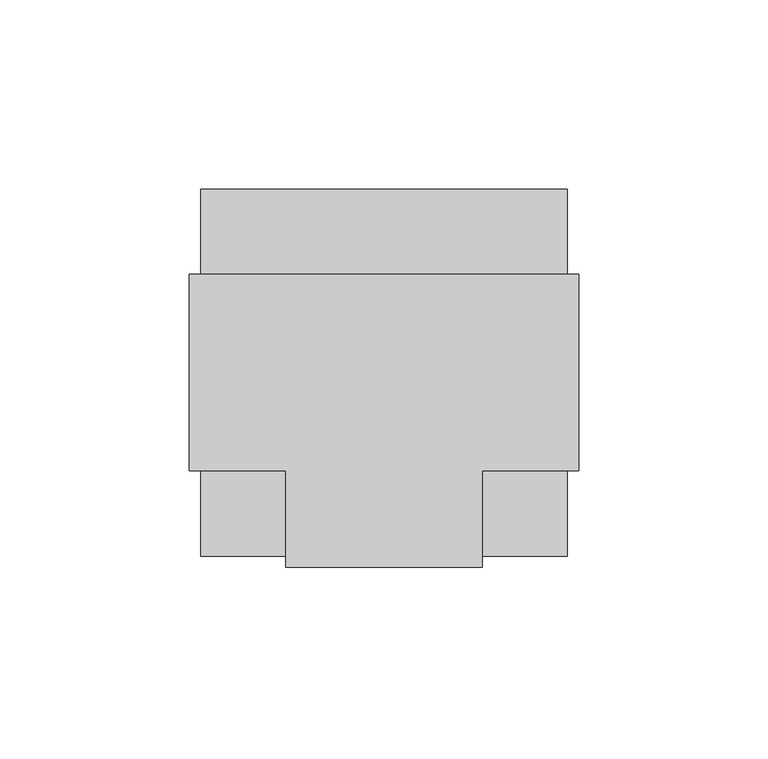
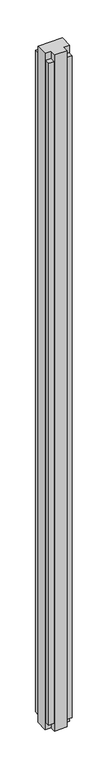
"""IFC4 building model written with IfcOpenShell, lengths in millimetres: furniture geometry."""

from ifc_helpers import new_model, si_unit, frame, origin, origin_with_axes, place, context, project, spatial, polyline, outline, extrude, source, transform, mapped, element, save


def furniture_7f5f6f16(model_context):
    return source(origin(), model_context, "Body", "SweptSolid", [
        extrude(outline(polyline([(-73.1691113, 25.9969), (-73.1691113, -25.9969), (-98.6834113, -25.9969), (-98.6834113, -51.5112), (-150.6772113, -51.5112), (-150.6772113, -25.9969), (-176.1915113, -25.9969), (-176.1915113, 25.9969), (-73.1691113, 25.9969)])), origin_with_axes(), (0.0, 0.0, 1.0), 2997.2),
        extrude(outline(polyline([(-173.1689113, 48.4886), (-76.1917113, 48.4886), (-76.1917113, 25.9969), (-173.1689113, 25.9969), (-173.1689113, 48.4886)])), frame((0.0, 0.0, 32.004), z_axis=(0.0, 0.0, 1.0), x_axis=(1.0, 0.0, 0.0)), (0.0, 0.0, 1.0), 2933.192),
        extrude(outline(polyline([(-76.1917113, -48.4886), (-98.6834113, -48.4886), (-98.6834113, -25.9969), (-76.1917113, -25.9969), (-76.1917113, -48.4886)])), frame((0.0, 0.0, 32.004), z_axis=(0.0, 0.0, 1.0), x_axis=(1.0, 0.0, 0.0)), (0.0, 0.0, 1.0), 2933.192),
        extrude(outline(polyline([(-150.6772113, -48.4886), (-173.1689113, -48.4886), (-173.1689113, -25.9969), (-150.6772113, -25.9969), (-150.6772113, -48.4886)])), frame((0.0, 0.0, 32.004), z_axis=(0.0, 0.0, 1.0), x_axis=(1.0, 0.0, 0.0)), (0.0, 0.0, 1.0), 2933.192),
    ])


if __name__ == "__main__":
    model = new_model("IFC4")
    model_context = context("Model", 3, world=origin())
    ifc_project = project(units=[si_unit("LENGTHUNIT", "METRE", prefix="MILLI")], contexts=[model_context])
    site = spatial("IfcSite", under=ifc_project)
    building = spatial("IfcBuilding", under=site)
    placement = place(None, origin())
    furniture_shape = furniture_7f5f6f16(model_context)
    element("IfcFurniture", 1, at=placement, inside=building, context=model_context, shape_type="MappedRepresentation", body=[
        mapped(furniture_shape, transform((0.0, 0.0, 0.0), x_axis=(1.0, 0.0, 0.0), y_axis=(0.0, 1.0, 0.0), z_axis=(0.0, 0.0, 1.0))),
    ])
    save(model, "model.ifc")
